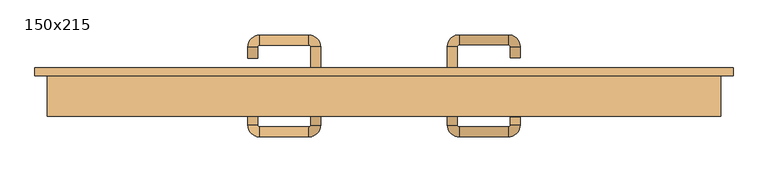
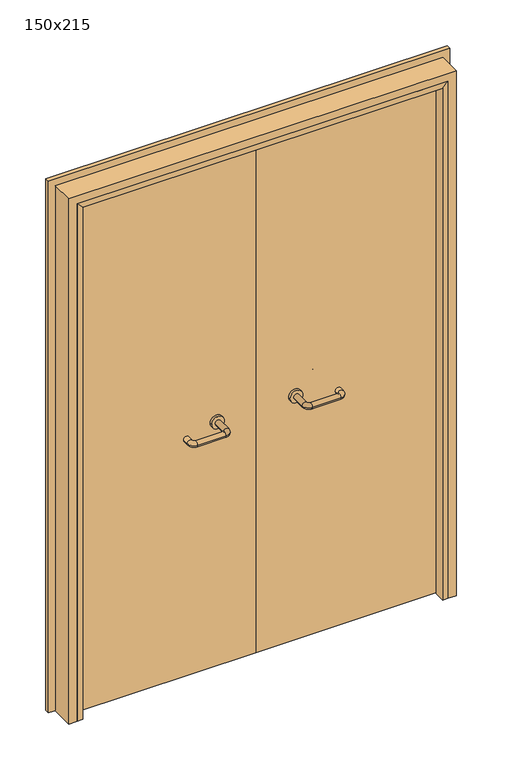
"""IFC4 building model written with IfcOpenShell, lengths in millimetres: door geometry, 150x215."""

from ifc_helpers import new_model, si_unit, point, frame, frame_2d, origin, place, context, project, spatial, polyline, circle_curve, ellipse_curve, trimmed, segment, composite_curve, outline, extrude, faceted_brep, source, transform, mapped, element, save
from ifc_brep_helpers import plane_surface, cylinder_surface, revolved_surface, advanced_brep


def door_150x215_4b6cbf89(model_context):
    return source(origin(), model_context, "Body", "SolidModel", [
        faceted_brep([(-697.0, 98.0, 0.0), (-697.0, 55.0, 0.0), (-718.0, 55.0, 0.0), (-718.0, 98.0, 0.0), (-697.0, 98.0, 2097.0), (-697.0, 55.0, 2097.0), (-718.0, 55.0, 2118.0), (-718.0, 98.0, 2118.0), (697.0, 98.0, 0.0), (718.0, 98.0, 0.0), (718.0, 55.0, 0.0), (697.0, 55.0, 0.0), (697.0, 98.0, 2097.0), (718.0, 98.0, 2118.0), (718.0, 55.0, 2118.0), (697.0, 55.0, 2097.0)], [[[0, 1, 2, 3]], [[1, 0, 4, 5]], [[2, 1, 5, 6]], [[3, 2, 6, 7]], [[0, 3, 7, 4]], [[8, 9, 10, 11]], [[12, 13, 9, 8]], [[13, 14, 10, 9]], [[14, 15, 11, 10]], [[15, 12, 8, 11]], [[5, 4, 12, 15]], [[6, 5, 15, 14]], [[7, 6, 14, 13]], [[4, 7, 13, 12]]]),
        extrude(outline(polyline([(2177.0, 777.0), (2177.0, -777.0), (0.0, -777.0), (0.0, -733.0), (2133.0, -733.0), (2133.0, 733.0), (0.0, 733.0), (0.0, 777.0), (2177.0, 777.0)])), frame((0.0, 145.0, 0.0), z_axis=(0.0, 1.0, 0.0), x_axis=(0.0, 0.0, 1.0)), (0.0, 0.0, 1.0), 18.0),
        extrude(outline(polyline([(2150.0, -750.0), (0.0, -750.0), (0.0, -718.0), (2118.0, -718.0), (2118.0, 718.0), (0.0, 718.0), (0.0, 750.0), (2150.0, 750.0), (2150.0, -750.0)])), frame((0.0, 55.0, 0.0), z_axis=(0.0, 1.0, 0.0), x_axis=(0.0, 0.0, 1.0)), (0.0, 0.0, 1.0), 90.0),
        advanced_brep(
        [(140.99898, 91.0, 1003.0), (162.99898, 91.0, 1003.0), (140.99898, 35.6474631, 1003.0), (162.99898, 35.6474631, 1003.0), (166.99898, 31.6474631, 1003.0), (166.99898, 9.6474631, 1003.0), (276.99898, 9.6474631, 1003.0), (276.99898, 31.6474631, 1003.0), (280.99898, 35.6474631, 1003.0), (302.99898, 35.6474631, 1003.0), (302.99898, 53.0, 1003.0), (280.99898, 53.0, 1003.0)],
        [
            (0, 1, circle_curve(frame((151.99898, 91.0, 1003.0), z_axis=(0.0, 1.0, 0.0), x_axis=(1.0, 0.0, 0.0)), 11.0)),
            (1, 0, circle_curve(frame((151.99898, 91.0, 1003.0), z_axis=(0.0, 1.0, 0.0), x_axis=(1.0, 0.0, 0.0)), 11.0)),
            (0, 2),
            (2, 3, circle_curve(frame((151.99898, 35.6474631, 1003.0), z_axis=(0.0, 1.0, 0.0), x_axis=(1.0, 0.0, 0.0)), 11.0)),
            (3, 1),
            (3, 2, circle_curve(frame((151.99898, 35.6474631, 1003.0), z_axis=(0.0, 1.0, 0.0), x_axis=(1.0, 0.0, 0.0)), 11.0)),
            (4, 3, circle_curve(frame((166.99898, 35.6474631, 1003.0), z_axis=(0.0, 0.0, -1.0), x_axis=(-1.0, 0.0, 0.0)), 4.0)),
            (2, 5, circle_curve(frame((166.99898, 35.6474631, 1003.0), z_axis=(0.0, 0.0, 1.0), x_axis=(-1.0, 0.0, 0.0)), 26.0)),
            (5, 4, circle_curve(frame((166.99898, 20.6474631, 1003.0), z_axis=(-1.0, 0.0, 0.0), x_axis=(0.0, 1.0, 0.0)), 11.0)),
            (4, 5, circle_curve(frame((166.99898, 20.6474631, 1003.0), z_axis=(-1.0, 0.0, 0.0), x_axis=(0.0, 1.0, 0.0)), 11.0)),
            (5, 6),
            (6, 7, circle_curve(frame((276.99898, 20.6474631, 1003.0), z_axis=(-1.0, 0.0, 0.0), x_axis=(0.0, 1.0, 0.0)), 11.0)),
            (7, 4),
            (7, 6, circle_curve(frame((276.99898, 20.6474631, 1003.0), z_axis=(-1.0, 0.0, 0.0), x_axis=(0.0, 1.0, 0.0)), 11.0)),
            (8, 7, circle_curve(frame((276.99898, 35.6474631, 1003.0), z_axis=(0.0, 0.0, -1.0), x_axis=(0.0, -1.0, 0.0)), 4.0)),
            (6, 9, circle_curve(frame((276.99898, 35.6474631, 1003.0), z_axis=(0.0, 0.0, 1.0), x_axis=(0.0, -1.0, 0.0)), 26.0)),
            (9, 8, circle_curve(frame((291.99898, 35.6474631, 1003.0), z_axis=(0.0, -1.0, 0.0), x_axis=(-1.0, 0.0, 0.0)), 11.0)),
            (8, 9, circle_curve(frame((291.99898, 35.6474631, 1003.0), z_axis=(0.0, -1.0, 0.0), x_axis=(-1.0, 0.0, 0.0)), 11.0)),
            (10, 11, circle_curve(frame((291.99898, 53.0, 1003.0), z_axis=(0.0, 1.0, 0.0), x_axis=(-1.0, 0.0, 0.0)), 11.0)),
            (11, 10, circle_curve(frame((291.99898, 53.0, 1003.0), z_axis=(0.0, 1.0, 0.0), x_axis=(-1.0, 0.0, 0.0)), 11.0)),
            (9, 10),
            (11, 8),
        ],
        [
            plane_surface(frame((140.99898, 91.0, 1003.0), z_axis=(0.0, 1.0, 0.0), x_axis=(0.0, 0.0, -1.0))),
            cylinder_surface(frame((151.99898, 91.0, 1003.0), z_axis=(0.0, 1.0, 0.0), x_axis=(1.0, 0.0, 0.0)), 11.0),
            revolved_surface(trimmed(ellipse_curve(frame((151.99898, 35.6474631, 1003.0), z_axis=(0.0, 1.0, 0.0), x_axis=(1.0, 0.0, 0.0)), 11.0, 11.0), [point((140.99898, 35.6474631, 1003.0))], [point((162.99898, 35.6474631, 1003.0))], True, "CARTESIAN"), (166.99898, 35.6474631, 1003.0), (0.0, 0.0, 1.0)),
            revolved_surface(trimmed(ellipse_curve(frame((151.99898, 35.6474631, 1003.0), z_axis=(0.0, 1.0, 0.0), x_axis=(1.0, 0.0, 0.0)), 11.0, 11.0), [point((162.99898, 35.6474631, 1003.0))], [point((140.99898, 35.6474631, 1003.0))], True, "CARTESIAN"), (166.99898, 35.6474631, 1003.0), (0.0, 0.0, 1.0)),
            cylinder_surface(frame((166.99898, 20.6474631, 1003.0), z_axis=(-1.0, 0.0, 0.0), x_axis=(0.0, 1.0, 0.0)), 11.0),
            revolved_surface(trimmed(ellipse_curve(frame((276.99898, 20.6474631, 1003.0), z_axis=(-1.0, 0.0, 0.0), x_axis=(0.0, 1.0, 0.0)), 11.0, 11.0), [point((276.99898, 9.6474631, 1003.0))], [point((276.99898, 31.6474631, 1003.0))], True, "CARTESIAN"), (276.99898, 35.6474631, 1003.0), (0.0, 0.0, 1.0)),
            revolved_surface(trimmed(ellipse_curve(frame((276.99898, 20.6474631, 1003.0), z_axis=(-1.0, 0.0, 0.0), x_axis=(0.0, 1.0, 0.0)), 11.0, 11.0), [point((276.99898, 31.6474631, 1003.0))], [point((276.99898, 9.6474631, 1003.0))], True, "CARTESIAN"), (276.99898, 35.6474631, 1003.0), (0.0, 0.0, 1.0)),
            plane_surface(frame((280.99898, 53.0, 1003.0), z_axis=(0.0, 1.0, 0.0), x_axis=(0.0, 0.0, 1.0))),
            cylinder_surface(frame((291.99898, 35.6474631, 1003.0), z_axis=(0.0, -1.0, 0.0), x_axis=(-1.0, 0.0, 0.0)), 11.0),
        ],
        [
            (0, [[1, 2]]),
            (1, [[-1, 3, 4, 5]]),
            (1, [[-2, -5, 6, -3]]),
            (2, [[7, -4, 8, 9]]),
            (3, [[-8, -6, -7, 10]]),
            (4, [[-9, 11, 12, 13]]),
            (4, [[-10, -13, 14, -11]]),
            (5, [[15, -12, 16, 17]]),
            (6, [[-16, -14, -15, 18]]),
            (7, [[19, 20]]),
            (8, [[-17, 21, -20, 22]]),
            (8, [[-18, -22, -19, -21]]),
        ],
    ),
        extrude(outline(composite_curve([segment(trimmed(circle_curve(frame_2d((1003.0, 151.99898)), 25.0), [point((1003.0, 126.99898))], [point((1003.0, 176.99898))], False, "CARTESIAN"), True, "CONTINUOUS"), segment(trimmed(circle_curve(frame_2d((1003.0, 151.99898)), 25.0), [point((1003.0, 176.99898))], [point((1003.0, 126.99898))], False, "CARTESIAN"), True, "CONTINUOUS")], self_intersect=False)), frame((0.0, 91.0, 0.0), z_axis=(0.0, 1.0, 0.0), x_axis=(0.0, 0.0, 1.0)), (0.0, 0.0, 1.0), 10.0),
        advanced_brep(
        [(162.99898, 155.0, 1003.0), (140.99898, 155.0, 1003.0), (162.99898, 210.0, 1003.0), (140.99898, 210.0, 1003.0), (166.99898, 236.0, 1003.0), (166.99898, 214.0, 1003.0), (276.99898, 214.0, 1003.0), (276.99898, 236.0, 1003.0), (302.99898, 210.0, 1003.0), (280.99898, 210.0, 1003.0), (280.99898, 185.0, 1003.0), (302.99898, 185.0, 1003.0)],
        [
            (0, 1, circle_curve(frame((151.99898, 155.0, 1003.0), z_axis=(0.0, -1.0, 0.0), x_axis=(-1.0, 0.0, 0.0)), 11.0)),
            (1, 0, circle_curve(frame((151.99898, 155.0, 1003.0), z_axis=(0.0, -1.0, 0.0), x_axis=(-1.0, 0.0, 0.0)), 11.0)),
            (0, 2),
            (2, 3, circle_curve(frame((151.99898, 210.0, 1003.0), z_axis=(0.0, -1.0, 0.0), x_axis=(-1.0, 0.0, 0.0)), 11.0)),
            (3, 1),
            (3, 2, circle_curve(frame((151.99898, 210.0, 1003.0), z_axis=(0.0, -1.0, 0.0), x_axis=(-1.0, 0.0, 0.0)), 11.0)),
            (4, 3, circle_curve(frame((166.99898, 210.0, 1003.0), z_axis=(0.0, 0.0, 1.0), x_axis=(-1.0, 0.0, 0.0)), 26.0)),
            (2, 5, circle_curve(frame((166.99898, 210.0, 1003.0), z_axis=(0.0, 0.0, -1.0), x_axis=(-1.0, 0.0, 0.0)), 4.0)),
            (5, 4, circle_curve(frame((166.99898, 225.0, 1003.0), z_axis=(-1.0, 0.0, 0.0), x_axis=(0.0, 1.0, 0.0)), 11.0)),
            (4, 5, circle_curve(frame((166.99898, 225.0, 1003.0), z_axis=(-1.0, 0.0, 0.0), x_axis=(0.0, 1.0, 0.0)), 11.0)),
            (5, 6),
            (6, 7, circle_curve(frame((276.99898, 225.0, 1003.0), z_axis=(-1.0, 0.0, 0.0), x_axis=(0.0, 1.0, 0.0)), 11.0)),
            (7, 4),
            (7, 6, circle_curve(frame((276.99898, 225.0, 1003.0), z_axis=(-1.0, 0.0, 0.0), x_axis=(0.0, 1.0, 0.0)), 11.0)),
            (8, 7, circle_curve(frame((276.99898, 210.0, 1003.0), z_axis=(0.0, 0.0, 1.0), x_axis=(0.0, 1.0, 0.0)), 26.0)),
            (6, 9, circle_curve(frame((276.99898, 210.0, 1003.0), z_axis=(0.0, 0.0, -1.0), x_axis=(0.0, 1.0, 0.0)), 4.0)),
            (9, 8, circle_curve(frame((291.99898, 210.0, 1003.0), z_axis=(0.0, 1.0, 0.0), x_axis=(1.0, 0.0, 0.0)), 11.0)),
            (8, 9, circle_curve(frame((291.99898, 210.0, 1003.0), z_axis=(0.0, 1.0, 0.0), x_axis=(1.0, 0.0, 0.0)), 11.0)),
            (10, 11, circle_curve(frame((291.99898, 185.0, 1003.0), z_axis=(0.0, -1.0, 0.0), x_axis=(1.0, 0.0, 0.0)), 11.0)),
            (11, 10, circle_curve(frame((291.99898, 185.0, 1003.0), z_axis=(0.0, -1.0, 0.0), x_axis=(1.0, 0.0, 0.0)), 11.0)),
            (9, 10),
            (11, 8),
        ],
        [
            plane_surface(frame((140.99898, 155.0, 1003.0), z_axis=(0.0, -1.0, 0.0), x_axis=(0.0, 0.0, 1.0))),
            cylinder_surface(frame((151.99898, 155.0, 1003.0), z_axis=(0.0, -1.0, 0.0), x_axis=(-1.0, 0.0, 0.0)), 11.0),
            revolved_surface(trimmed(ellipse_curve(frame((151.99898, 210.0, 1003.0), z_axis=(0.0, -1.0, 0.0), x_axis=(-1.0, 0.0, 0.0)), 11.0, 11.0), [point((162.99898, 210.0, 1003.0))], [point((140.99898, 210.0, 1003.0))], True, "CARTESIAN"), (166.99898, 210.0, 1003.0), (0.0, 0.0, -1.0)),
            revolved_surface(trimmed(ellipse_curve(frame((151.99898, 210.0, 1003.0), z_axis=(0.0, -1.0, 0.0), x_axis=(-1.0, 0.0, 0.0)), 11.0, 11.0), [point((140.99898, 210.0, 1003.0))], [point((162.99898, 210.0, 1003.0))], True, "CARTESIAN"), (166.99898, 210.0, 1003.0), (0.0, 0.0, -1.0)),
            cylinder_surface(frame((166.99898, 225.0, 1003.0), z_axis=(-1.0, 0.0, 0.0), x_axis=(0.0, 1.0, 0.0)), 11.0),
            revolved_surface(trimmed(ellipse_curve(frame((276.99898, 225.0, 1003.0), z_axis=(-1.0, 0.0, 0.0), x_axis=(0.0, 1.0, 0.0)), 11.0, 11.0), [point((276.99898, 214.0, 1003.0))], [point((276.99898, 236.0, 1003.0))], True, "CARTESIAN"), (276.99898, 210.0, 1003.0), (0.0, 0.0, -1.0)),
            revolved_surface(trimmed(ellipse_curve(frame((276.99898, 225.0, 1003.0), z_axis=(-1.0, 0.0, 0.0), x_axis=(0.0, 1.0, 0.0)), 11.0, 11.0), [point((276.99898, 236.0, 1003.0))], [point((276.99898, 214.0, 1003.0))], True, "CARTESIAN"), (276.99898, 210.0, 1003.0), (0.0, 0.0, -1.0)),
            plane_surface(frame((280.99898, 185.0, 1003.0), z_axis=(0.0, -1.0, 0.0), x_axis=(0.0, 0.0, -1.0))),
            cylinder_surface(frame((291.99898, 210.0, 1003.0), z_axis=(0.0, 1.0, 0.0), x_axis=(1.0, 0.0, 0.0)), 11.0),
        ],
        [
            (0, [[1, 2]]),
            (1, [[-1, 3, 4, 5]]),
            (1, [[-2, -5, 6, -3]]),
            (2, [[7, -4, 8, 9]]),
            (3, [[-8, -6, -7, 10]]),
            (4, [[-9, 11, 12, 13]]),
            (4, [[-10, -13, 14, -11]]),
            (5, [[15, -12, 16, 17]]),
            (6, [[-16, -14, -15, 18]]),
            (7, [[19, 20]]),
            (8, [[-17, 21, -20, 22]]),
            (8, [[-18, -22, -19, -21]]),
        ],
    ),
        extrude(outline(composite_curve([segment(trimmed(circle_curve(frame_2d((1003.0, 151.99898)), 25.0), [point((1003.0, 176.99898))], [point((1003.0, 126.99898))], False, "CARTESIAN"), True, "CONTINUOUS"), segment(trimmed(circle_curve(frame_2d((1003.0, 151.99898)), 25.0), [point((1003.0, 126.99898))], [point((1003.0, 176.99898))], False, "CARTESIAN"), True, "CONTINUOUS")], self_intersect=False)), frame((0.0, 145.0, 0.0), z_axis=(0.0, 1.0, 0.0), x_axis=(0.0, 0.0, 1.0)), (0.0, 0.0, 1.0), 10.0),
        advanced_brep(
        [(-162.99898, 90.6886121, 1003.0), (-140.99898, 90.6886121, 1003.0), (-162.99898, 35.2779553, 1003.0), (-140.99898, 35.2779553, 1003.0), (-166.99898, 9.2779553, 1003.0), (-166.99898, 31.2779553, 1003.0), (-276.99898, 31.2779553, 1003.0), (-276.99898, 9.2779553, 1003.0), (-302.99898, 35.2779553, 1003.0), (-280.99898, 35.2779553, 1003.0), (-280.99898, 60.2779553, 1003.0), (-302.99898, 60.2779553, 1003.0)],
        [
            (0, 1, circle_curve(frame((-151.99898, 90.6886121, 1003.0), z_axis=(0.0, 1.0, 0.0), x_axis=(1.0, 0.0, 0.0)), 11.0)),
            (1, 0, circle_curve(frame((-151.99898, 90.6886121, 1003.0), z_axis=(0.0, 1.0, 0.0), x_axis=(1.0, 0.0, 0.0)), 11.0)),
            (0, 2),
            (2, 3, circle_curve(frame((-151.99898, 35.2779553, 1003.0), z_axis=(0.0, 1.0, 0.0), x_axis=(1.0, 0.0, 0.0)), 11.0)),
            (3, 1),
            (3, 2, circle_curve(frame((-151.99898, 35.2779553, 1003.0), z_axis=(0.0, 1.0, 0.0), x_axis=(1.0, 0.0, 0.0)), 11.0)),
            (4, 3, circle_curve(frame((-166.99898, 35.2779553, 1003.0), z_axis=(0.0, 0.0, 1.0), x_axis=(1.0, 0.0, 0.0)), 26.0)),
            (2, 5, circle_curve(frame((-166.99898, 35.2779553, 1003.0), z_axis=(0.0, 0.0, -1.0), x_axis=(1.0, 0.0, 0.0)), 4.0)),
            (5, 4, circle_curve(frame((-166.99898, 20.2779553, 1003.0), z_axis=(1.0, 0.0, 0.0), x_axis=(0.0, -1.0, 0.0)), 11.0)),
            (4, 5, circle_curve(frame((-166.99898, 20.2779553, 1003.0), z_axis=(1.0, 0.0, 0.0), x_axis=(0.0, -1.0, 0.0)), 11.0)),
            (5, 6),
            (6, 7, circle_curve(frame((-276.99898, 20.2779553, 1003.0), z_axis=(1.0, 0.0, 0.0), x_axis=(0.0, -1.0, 0.0)), 11.0)),
            (7, 4),
            (7, 6, circle_curve(frame((-276.99898, 20.2779553, 1003.0), z_axis=(1.0, 0.0, 0.0), x_axis=(0.0, -1.0, 0.0)), 11.0)),
            (8, 7, circle_curve(frame((-276.99898, 35.2779553, 1003.0), z_axis=(0.0, 0.0, 1.0), x_axis=(0.0, -1.0, 0.0)), 26.0)),
            (6, 9, circle_curve(frame((-276.99898, 35.2779553, 1003.0), z_axis=(0.0, 0.0, -1.0), x_axis=(0.0, -1.0, 0.0)), 4.0)),
            (9, 8, circle_curve(frame((-291.99898, 35.2779553, 1003.0), z_axis=(0.0, -1.0, 0.0), x_axis=(-1.0, 0.0, 0.0)), 11.0)),
            (8, 9, circle_curve(frame((-291.99898, 35.2779553, 1003.0), z_axis=(0.0, -1.0, 0.0), x_axis=(-1.0, 0.0, 0.0)), 11.0)),
            (10, 11, circle_curve(frame((-291.99898, 60.2779553, 1003.0), z_axis=(0.0, 1.0, 0.0), x_axis=(-1.0, 0.0, 0.0)), 11.0)),
            (11, 10, circle_curve(frame((-291.99898, 60.2779553, 1003.0), z_axis=(0.0, 1.0, 0.0), x_axis=(-1.0, 0.0, 0.0)), 11.0)),
            (9, 10),
            (11, 8),
        ],
        [
            plane_surface(frame((-162.99898, 90.6886121, 1003.0), z_axis=(0.0, 1.0, 0.0), x_axis=(0.0, 0.0, -1.0))),
            cylinder_surface(frame((-151.99898, 90.6886121, 1003.0), z_axis=(0.0, 1.0, 0.0), x_axis=(1.0, 0.0, 0.0)), 11.0),
            revolved_surface(trimmed(ellipse_curve(frame((-151.99898, 35.2779553, 1003.0), z_axis=(0.0, 1.0, 0.0), x_axis=(1.0, 0.0, 0.0)), 11.0, 11.0), [point((-162.99898, 35.2779553, 1003.0))], [point((-140.99898, 35.2779553, 1003.0))], True, "CARTESIAN"), (-166.99898, 35.2779553, 1003.0), (0.0, 0.0, -1.0)),
            revolved_surface(trimmed(ellipse_curve(frame((-151.99898, 35.2779553, 1003.0), z_axis=(0.0, 1.0, 0.0), x_axis=(1.0, 0.0, 0.0)), 11.0, 11.0), [point((-140.99898, 35.2779553, 1003.0))], [point((-162.99898, 35.2779553, 1003.0))], True, "CARTESIAN"), (-166.99898, 35.2779553, 1003.0), (0.0, 0.0, -1.0)),
            cylinder_surface(frame((-166.99898, 20.2779553, 1003.0), z_axis=(1.0, 0.0, 0.0), x_axis=(0.0, -1.0, 0.0)), 11.0),
            revolved_surface(trimmed(ellipse_curve(frame((-276.99898, 20.2779553, 1003.0), z_axis=(1.0, 0.0, 0.0), x_axis=(0.0, -1.0, 0.0)), 11.0, 11.0), [point((-276.99898, 31.2779553, 1003.0))], [point((-276.99898, 9.2779553, 1003.0))], True, "CARTESIAN"), (-276.99898, 35.2779553, 1003.0), (0.0, 0.0, -1.0)),
            revolved_surface(trimmed(ellipse_curve(frame((-276.99898, 20.2779553, 1003.0), z_axis=(1.0, 0.0, 0.0), x_axis=(0.0, -1.0, 0.0)), 11.0, 11.0), [point((-276.99898, 9.2779553, 1003.0))], [point((-276.99898, 31.2779553, 1003.0))], True, "CARTESIAN"), (-276.99898, 35.2779553, 1003.0), (0.0, 0.0, -1.0)),
            plane_surface(frame((-302.99898, 60.2779553, 1003.0), z_axis=(0.0, 1.0, 0.0), x_axis=(0.0, 0.0, 1.0))),
            cylinder_surface(frame((-291.99898, 35.2779553, 1003.0), z_axis=(0.0, -1.0, 0.0), x_axis=(-1.0, 0.0, 0.0)), 11.0),
        ],
        [
            (0, [[1, 2]]),
            (1, [[-1, 3, 4, 5]]),
            (1, [[-2, -5, 6, -3]]),
            (2, [[7, -4, 8, 9]]),
            (3, [[-8, -6, -7, 10]]),
            (4, [[-9, 11, 12, 13]]),
            (4, [[-10, -13, 14, -11]]),
            (5, [[15, -12, 16, 17]]),
            (6, [[-16, -14, -15, 18]]),
            (7, [[19, 20]]),
            (8, [[-17, 21, -20, 22]]),
            (8, [[-18, -22, -19, -21]]),
        ],
    ),
        extrude(outline(composite_curve([segment(trimmed(circle_curve(frame_2d((1003.0, -151.99898)), 25.0), [point((1003.0, -176.99898))], [point((1003.0, -126.99898))], False, "CARTESIAN"), True, "CONTINUOUS"), segment(trimmed(circle_curve(frame_2d((1003.0, -151.99898)), 25.0), [point((1003.0, -126.99898))], [point((1003.0, -176.99898))], False, "CARTESIAN"), True, "CONTINUOUS")], self_intersect=False)), frame((0.0, 90.6886121, 0.0), z_axis=(0.0, 1.0, 0.0), x_axis=(0.0, 0.0, 1.0)), (0.0, 0.0, 1.0), 10.3113879),
        advanced_brep(
        [(-140.99898, 154.5143417, 1003.0), (-162.99898, 154.5143417, 1003.0), (-140.99898, 209.6104656, 1003.0), (-162.99898, 209.6104656, 1003.0), (-166.99898, 213.6104656, 1003.0), (-166.99898, 235.6104656, 1003.0), (-276.99898, 235.6104656, 1003.0), (-276.99898, 213.6104656, 1003.0), (-280.99898, 209.6104656, 1003.0), (-302.99898, 209.6104656, 1003.0), (-302.99898, 184.6104656, 1003.0), (-280.99898, 184.6104656, 1003.0)],
        [
            (0, 1, circle_curve(frame((-151.99898, 154.5143417, 1003.0), z_axis=(0.0, -1.0, 0.0), x_axis=(-1.0, 0.0, 0.0)), 11.0)),
            (1, 0, circle_curve(frame((-151.99898, 154.5143417, 1003.0), z_axis=(0.0, -1.0, 0.0), x_axis=(-1.0, 0.0, 0.0)), 11.0)),
            (0, 2),
            (2, 3, circle_curve(frame((-151.99898, 209.6104656, 1003.0), z_axis=(0.0, -1.0, 0.0), x_axis=(-1.0, 0.0, 0.0)), 11.0)),
            (3, 1),
            (3, 2, circle_curve(frame((-151.99898, 209.6104656, 1003.0), z_axis=(0.0, -1.0, 0.0), x_axis=(-1.0, 0.0, 0.0)), 11.0)),
            (4, 3, circle_curve(frame((-166.99898, 209.6104656, 1003.0), z_axis=(0.0, 0.0, -1.0), x_axis=(1.0, 0.0, 0.0)), 4.0)),
            (2, 5, circle_curve(frame((-166.99898, 209.6104656, 1003.0), z_axis=(0.0, 0.0, 1.0), x_axis=(1.0, 0.0, 0.0)), 26.0)),
            (5, 4, circle_curve(frame((-166.99898, 224.6104656, 1003.0), z_axis=(1.0, 0.0, 0.0), x_axis=(0.0, -1.0, 0.0)), 11.0)),
            (4, 5, circle_curve(frame((-166.99898, 224.6104656, 1003.0), z_axis=(1.0, 0.0, 0.0), x_axis=(0.0, -1.0, 0.0)), 11.0)),
            (5, 6),
            (6, 7, circle_curve(frame((-276.99898, 224.6104656, 1003.0), z_axis=(1.0, 0.0, 0.0), x_axis=(0.0, -1.0, 0.0)), 11.0)),
            (7, 4),
            (7, 6, circle_curve(frame((-276.99898, 224.6104656, 1003.0), z_axis=(1.0, 0.0, 0.0), x_axis=(0.0, -1.0, 0.0)), 11.0)),
            (8, 7, circle_curve(frame((-276.99898, 209.6104656, 1003.0), z_axis=(0.0, 0.0, -1.0), x_axis=(0.0, 1.0, 0.0)), 4.0)),
            (6, 9, circle_curve(frame((-276.99898, 209.6104656, 1003.0), z_axis=(0.0, 0.0, 1.0), x_axis=(0.0, 1.0, 0.0)), 26.0)),
            (9, 8, circle_curve(frame((-291.99898, 209.6104656, 1003.0), z_axis=(0.0, 1.0, 0.0), x_axis=(1.0, 0.0, 0.0)), 11.0)),
            (8, 9, circle_curve(frame((-291.99898, 209.6104656, 1003.0), z_axis=(0.0, 1.0, 0.0), x_axis=(1.0, 0.0, 0.0)), 11.0)),
            (10, 11, circle_curve(frame((-291.99898, 184.6104656, 1003.0), z_axis=(0.0, -1.0, 0.0), x_axis=(1.0, 0.0, 0.0)), 11.0)),
            (11, 10, circle_curve(frame((-291.99898, 184.6104656, 1003.0), z_axis=(0.0, -1.0, 0.0), x_axis=(1.0, 0.0, 0.0)), 11.0)),
            (9, 10),
            (11, 8),
        ],
        [
            plane_surface(frame((-162.99898, 154.5143417, 1003.0), z_axis=(0.0, -1.0, 0.0), x_axis=(0.0, 0.0, 1.0))),
            cylinder_surface(frame((-151.99898, 154.5143417, 1003.0), z_axis=(0.0, -1.0, 0.0), x_axis=(-1.0, 0.0, 0.0)), 11.0),
            revolved_surface(trimmed(ellipse_curve(frame((-151.99898, 209.6104656, 1003.0), z_axis=(0.0, -1.0, 0.0), x_axis=(-1.0, 0.0, 0.0)), 11.0, 11.0), [point((-140.99898, 209.6104656, 1003.0))], [point((-162.99898, 209.6104656, 1003.0))], True, "CARTESIAN"), (-166.99898, 209.6104656, 1003.0), (0.0, 0.0, 1.0)),
            revolved_surface(trimmed(ellipse_curve(frame((-151.99898, 209.6104656, 1003.0), z_axis=(0.0, -1.0, 0.0), x_axis=(-1.0, 0.0, 0.0)), 11.0, 11.0), [point((-162.99898, 209.6104656, 1003.0))], [point((-140.99898, 209.6104656, 1003.0))], True, "CARTESIAN"), (-166.99898, 209.6104656, 1003.0), (0.0, 0.0, 1.0)),
            cylinder_surface(frame((-166.99898, 224.6104656, 1003.0), z_axis=(1.0, 0.0, 0.0), x_axis=(0.0, -1.0, 0.0)), 11.0),
            revolved_surface(trimmed(ellipse_curve(frame((-276.99898, 224.6104656, 1003.0), z_axis=(1.0, 0.0, 0.0), x_axis=(0.0, -1.0, 0.0)), 11.0, 11.0), [point((-276.99898, 235.6104656, 1003.0))], [point((-276.99898, 213.6104656, 1003.0))], True, "CARTESIAN"), (-276.99898, 209.6104656, 1003.0), (0.0, 0.0, 1.0)),
            revolved_surface(trimmed(ellipse_curve(frame((-276.99898, 224.6104656, 1003.0), z_axis=(1.0, 0.0, 0.0), x_axis=(0.0, -1.0, 0.0)), 11.0, 11.0), [point((-276.99898, 213.6104656, 1003.0))], [point((-276.99898, 235.6104656, 1003.0))], True, "CARTESIAN"), (-276.99898, 209.6104656, 1003.0), (0.0, 0.0, 1.0)),
            plane_surface(frame((-302.99898, 184.6104656, 1003.0), z_axis=(0.0, -1.0, 0.0), x_axis=(0.0, 0.0, -1.0))),
            cylinder_surface(frame((-291.99898, 209.6104656, 1003.0), z_axis=(0.0, 1.0, 0.0), x_axis=(1.0, 0.0, 0.0)), 11.0),
        ],
        [
            (0, [[1, 2]]),
            (1, [[-1, 3, 4, 5]]),
            (1, [[-2, -5, 6, -3]]),
            (2, [[7, -4, 8, 9]]),
            (3, [[-8, -6, -7, 10]]),
            (4, [[-9, 11, 12, 13]]),
            (4, [[-10, -13, 14, -11]]),
            (5, [[15, -12, 16, 17]]),
            (6, [[-16, -14, -15, 18]]),
            (7, [[19, 20]]),
            (8, [[-17, 21, -20, 22]]),
            (8, [[-18, -22, -19, -21]]),
        ],
    ),
        extrude(outline(composite_curve([segment(trimmed(circle_curve(frame_2d((1003.0, -151.99898)), 25.0), [point((1003.0, -126.99898))], [point((1003.0, -176.99898))], False, "CARTESIAN"), True, "CONTINUOUS"), segment(trimmed(circle_curve(frame_2d((1003.0, -151.99898)), 25.0), [point((1003.0, -176.99898))], [point((1003.0, -126.99898))], False, "CARTESIAN"), True, "CONTINUOUS")], self_intersect=False)), frame((0.0, 145.0, 0.0), z_axis=(0.0, 1.0, 0.0), x_axis=(0.0, 0.0, 1.0)), (0.0, 0.0, 1.0), 9.5143417),
        extrude(outline(polyline([(1.0739506, 101.0), (-715.0, 101.0), (-715.0, 145.0), (1.0739506, 145.0), (1.0739506, 101.0)])), frame((0.0, 0.0, 1.753223), z_axis=(0.0, 0.0, 1.0), x_axis=(1.0, 0.0, 0.0)), (0.0, 0.0, 1.0), 2116.246777),
        extrude(outline(polyline([(715.0, 101.0), (1.0739506, 101.0), (1.0739506, 145.0), (715.0, 145.0), (715.0, 101.0)])), frame((0.0, 0.0, 1.753223), z_axis=(0.0, 0.0, 1.0), x_axis=(1.0, 0.0, 0.0)), (0.0, 0.0, 1.0), 2116.246777),
    ])


if __name__ == "__main__":
    model = new_model("IFC4")
    model_context = context("Model", 3, world=origin())
    ifc_project = project(units=[si_unit("LENGTHUNIT", "METRE", prefix="MILLI")], contexts=[model_context])
    site = spatial("IfcSite", under=ifc_project)
    building = spatial("IfcBuilding", under=site)
    placement = place(None, origin())
    door_150x215_shape = door_150x215_4b6cbf89(model_context)
    element("IfcDoor", 1, ObjectType="150x215", at=placement, inside=building, context=model_context, shape_type="MappedRepresentation", body=[
        mapped(door_150x215_shape, transform((0.0, 0.0, 0.0), x_axis=(1.0, 0.0, 0.0), y_axis=(0.0, 1.0, 0.0), z_axis=(0.0, 0.0, 1.0))),
    ])
    save(model, "model.ifc")
